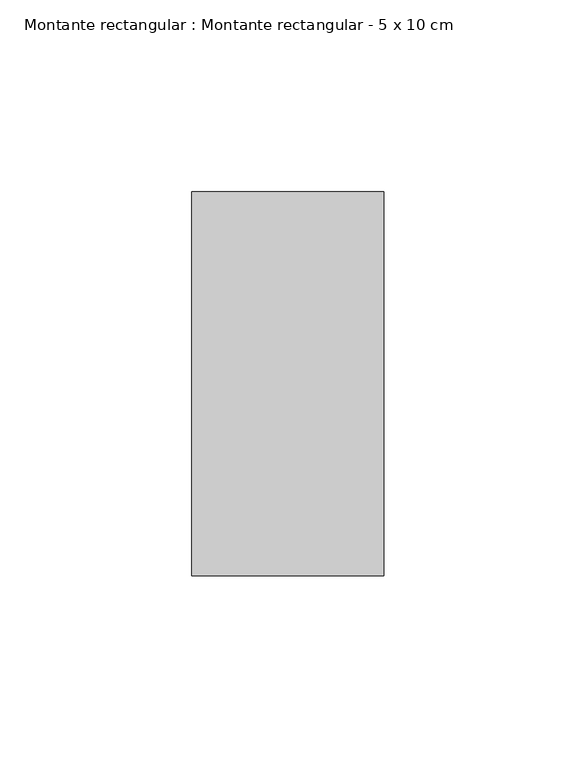
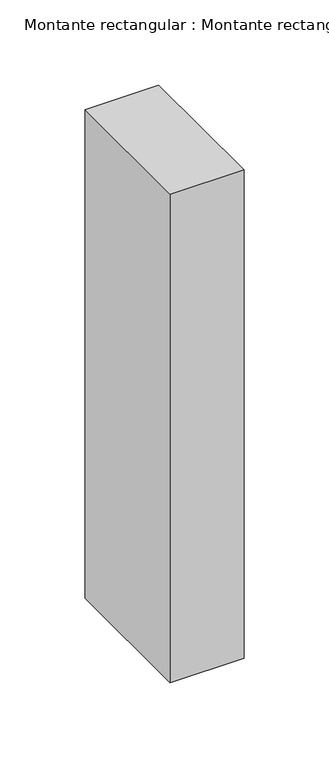
"""IFC4 building model written with IfcOpenShell, lengths in millimetres: member geometry, Montante rectangular : Montante rectangular - 5 x 10 cm."""

from ifc_helpers import new_model, si_unit, frame, origin, place, context, project, spatial, polyline, outline, extrude, source, transform, mapped, element, save


def montante_rectangular_montante_rectangular_5_x_10_cm_8588e7d2(model_context):
    return source(origin(), model_context, "Body", "SweptSolid", [
        extrude(outline(polyline([(-50.0, 50.0), (0.0, 50.0), (0.0, -50.0), (-50.0, -50.0), (-50.0, 50.0)])), frame((0.0, 0.0, -350.0), z_axis=(0.0, 0.0, 1.0), x_axis=(1.0, 0.0, 0.0)), (0.0, 0.0, 1.0), 350.0),
    ])


if __name__ == "__main__":
    model = new_model("IFC4")
    model_context = context("Model", 3, world=origin())
    ifc_project = project(units=[si_unit("LENGTHUNIT", "METRE", prefix="MILLI")], contexts=[model_context])
    site = spatial("IfcSite", under=ifc_project)
    building = spatial("IfcBuilding", under=site)
    placement = place(None, origin())
    montante_rectangular_montante_rectangular_5_x_10_cm_shape = montante_rectangular_montante_rectangular_5_x_10_cm_8588e7d2(model_context)
    element("IfcMember", 1, ObjectType="Montante rectangular : Montante rectangular - 5 x 10 cm", at=placement, inside=building, context=model_context, shape_type="MappedRepresentation", body=[
        mapped(montante_rectangular_montante_rectangular_5_x_10_cm_shape, transform((0.0, 0.0, 0.0), x_axis=(1.0, 0.0, 0.0), y_axis=(0.0, 1.0, 0.0), z_axis=(0.0, 0.0, 1.0))),
    ])
    save(model, "model.ifc")
